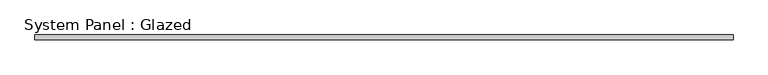
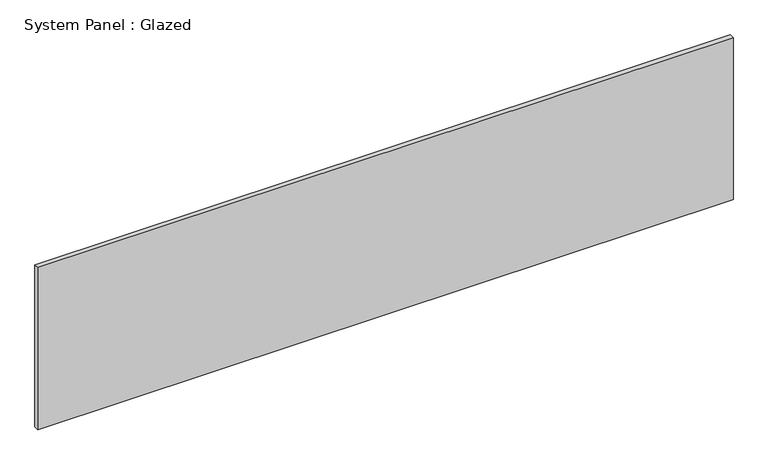
"""IFC4 building model written with IfcOpenShell, lengths in millimetres: plate geometry, System Panel : Glazed."""

from ifc_helpers import new_model, si_unit, origin, origin_with_axes, place, context, project, spatial, polyline, outline, extrude, source, transform, mapped, element, save


def system_panel_glazed_2800b2d9(model_context):
    return source(origin(), model_context, "Body", "SweptSolid", [
        extrude(outline(polyline([(1825.1050693, 24.5), (-1825.1050693, 24.5), (-1825.1050693, 49.5), (1825.1050693, 49.5), (1825.1050693, 24.5)])), origin_with_axes(), (0.0, 0.0, 1.0), 900.0),
    ])


if __name__ == "__main__":
    model = new_model("IFC4")
    model_context = context("Model", 3, world=origin())
    ifc_project = project(units=[si_unit("LENGTHUNIT", "METRE", prefix="MILLI")], contexts=[model_context])
    site = spatial("IfcSite", under=ifc_project)
    building = spatial("IfcBuilding", under=site)
    placement = place(None, origin())
    system_panel_glazed_shape = system_panel_glazed_2800b2d9(model_context)
    element("IfcPlate", 1, ObjectType="System Panel : Glazed", at=placement, inside=building, context=model_context, shape_type="MappedRepresentation", body=[
        mapped(system_panel_glazed_shape, transform((0.0, 0.0, 0.0), x_axis=(1.0, 0.0, 0.0), y_axis=(0.0, 1.0, 0.0), z_axis=(0.0, 0.0, 1.0))),
    ])
    save(model, "model.ifc")
